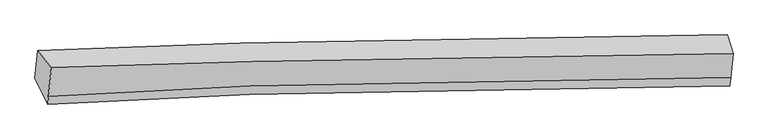
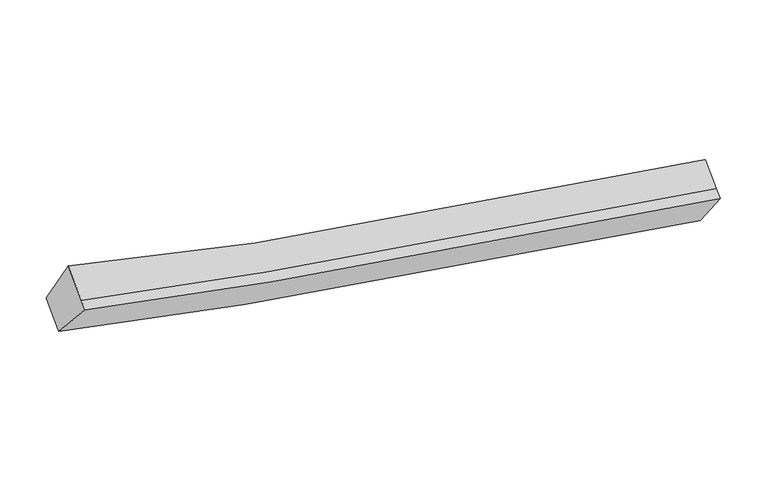
"""IFC4 building model written with IfcOpenShell, lengths in millimetres: proxy geometry."""

import ifcopenshell
import ifcopenshell.guid

model = None  # the IFC model being written
_history = None  # IfcOwnerHistory: only IFC2X3 demands one
_inside = {}  # id of a spatial element -> (the spatial element, [elements in it])
_under = {}  # id of a project, library or spatial element -> (it, [spatial elements below it])
_declared = {}  # id of a project -> (the project, [libraries it declares])
_typed = {}  # id of a type object -> (the type object, [elements of that type])
_made_of = {}  # id of a material, layer set ... -> (it, [elements and type objects made of it])


def new_model(schema):
    """Start an empty IFC model of exactly this schema.

    Asked for "IFC4X3", IfcOpenShell would pick the latest addendum, in which some entities
    have other attributes; the version numbers below select the first issue.
    IFC2X3 requires an IfcOwnerHistory on every rooted entity: one is made here for all.
    """
    global model, _history
    if schema == "IFC4X3":
        model = ifcopenshell.file(schema_version=(4, 3, 0, 0))
    else:
        model = ifcopenshell.file(schema=schema)
    _inside.clear()
    _under.clear()
    _declared.clear()
    _typed.clear()
    _made_of.clear()
    _history = None
    if model.schema == "IFC2X3":
        org = make("IfcOrganization", Name="unknown")
        user = make(
            "IfcPersonAndOrganization",
            ThePerson=make("IfcPerson", FamilyName="unknown"),
            TheOrganization=org,
        )
        app = make(
            "IfcApplication",
            ApplicationDeveloper=org,
            Version="unknown",
            ApplicationFullName="unknown",
            ApplicationIdentifier="unknown",
        )
        _history = make(
            "IfcOwnerHistory",
            OwningUser=user,
            OwningApplication=app,
            ChangeAction="ADDED",
            CreationDate=0,
        )
    return model


def make(cls, **values):
    """One entity of the class cls with the attributes given. An attribute that is None is left unset."""
    return model.create_entity(
        cls, **{name: value for name, value in values.items() if value is not None}
    )


def rooted(cls, **values):
    """An entity with a GlobalId (a new one), such as an element, a storey or a relation."""
    return make(cls, GlobalId=ifcopenshell.guid.new(), OwnerHistory=_history, **values)


def si_unit(unit_type, name, prefix=None):
    """IfcSIUnit, for example si_unit("LENGTHUNIT", "METRE", prefix="MILLI")."""
    return make("IfcSIUnit", UnitType=unit_type, Prefix=prefix, Name=name)


def assignment(units):
    """IfcUnitAssignment: the units of a project."""
    return None if units is None else make("IfcUnitAssignment", Units=units)


def point(xyz):
    """IfcCartesianPoint."""
    return None if xyz is None else make("IfcCartesianPoint", Coordinates=xyz)


def direction(xyz):
    """IfcDirection."""
    return None if xyz is None else make("IfcDirection", DirectionRatios=xyz)


def frame(location, z_axis=None, x_axis=None):
    """IfcAxis2Placement3D, a coordinate frame: its origin and axes. An axis left out is left unset."""
    return make(
        "IfcAxis2Placement3D",
        Location=point(location),
        Axis=direction(z_axis),
        RefDirection=direction(x_axis),
    )


def origin():
    """The frame at (0, 0, 0) with its axes left unset."""
    return frame((0.0, 0.0, 0.0))


def place(relative_to, where):
    """IfcLocalPlacement: puts the frame where relative to a parent placement (None: the world)."""
    return make(
        "IfcLocalPlacement", PlacementRelTo=relative_to, RelativePlacement=where
    )


def context(
    kind, dimensions, precision=None, world=None, true_north=None, identifier=None
):
    """IfcGeometricRepresentationContext, for example the 3D "Model" context."""
    return make(
        "IfcGeometricRepresentationContext",
        ContextIdentifier=identifier,
        ContextType=kind,
        CoordinateSpaceDimension=dimensions,
        Precision=precision,
        WorldCoordinateSystem=world,
        TrueNorth=true_north,
    )


def project(units=None, contexts=None):
    """IfcProject with its units and contexts."""
    return rooted(
        "IfcProject",
        Name="project",
        RepresentationContexts=contexts,
        UnitsInContext=assignment(units),
    )


def spatial(cls, under=None, at=None, **own):
    """A site, building, storey or space (cls), placed at a placement, below another one or the project."""
    s = rooted(cls, ObjectPlacement=at, **own)
    if under is not None:
        _under.setdefault(under.id(), (under, []))[1].append(s)
    return s


def shape(context_of_items, identifier, shape_type, items):
    """IfcShapeRepresentation: the items that make up one representation, for example the "Body"."""
    return make(
        "IfcShapeRepresentation",
        ContextOfItems=context_of_items,
        RepresentationIdentifier=identifier,
        RepresentationType=shape_type,
        Items=items,
    )


def source(mapping_origin, context_of_items, identifier, shape_type, items):
    """IfcRepresentationMap: a shape defined once, which mapped items show again and again."""
    return make(
        "IfcRepresentationMap",
        MappingOrigin=mapping_origin,
        MappedRepresentation=shape(context_of_items, identifier, shape_type, items),
    )


def transform(
    local_origin,
    x_axis=None,
    y_axis=None,
    z_axis=None,
    scale=None,
    scale2=None,
    scale3=None,
    uniform=True,
):
    """IfcCartesianTransformationOperator3D, or its non-uniform kind. x_axis, y_axis, z_axis: its Axis1, 2, 3."""
    if uniform:
        return make(
            "IfcCartesianTransformationOperator3D",
            Axis1=direction(x_axis),
            Axis2=direction(y_axis),
            LocalOrigin=point(local_origin),
            Scale=scale,
            Axis3=direction(z_axis),
        )
    return make(
        "IfcCartesianTransformationOperator3DnonUniform",
        Axis1=direction(x_axis),
        Axis2=direction(y_axis),
        LocalOrigin=point(local_origin),
        Scale=scale,
        Axis3=direction(z_axis),
        Scale2=scale2,
        Scale3=scale3,
    )


def mapped(mapping_source, mapping_target):
    """IfcMappedItem: shows the shape of a source again, moved by a transform."""
    return make(
        "IfcMappedItem", MappingSource=mapping_source, MappingTarget=mapping_target
    )


def made_of(thing, what):
    """Note that an element or type object is made of a material, layer set ...; save() writes the relation."""
    if what is not None:
        _made_of.setdefault(what.id(), (what, []))[1].append(thing)
    return thing


def element(
    cls,
    number,
    at=None,
    inside=None,
    cuts=None,
    type_object=None,
    material=None,
    context=None,
    identifier="Body",
    shape_type=None,
    held_by="IfcProductDefinitionShape",
    body=None,
    shapes=None,
    **own,
):
    """One element of the class cls, such as IfcWall. Its Tag is "e" and its number.

    at: its placement. inside: the storey or other place that contains it. cuts: it is an
    opening in that element (IfcRelVoidsElement). A single representation is given by context,
    identifier, shape_type and body (its items); several are given by shapes. held_by: the class
    of the entity that holds the representations. save() writes the other relations.
    """
    e = rooted(cls, Tag="e%d" % number, ObjectPlacement=at, **own)
    if body is not None:
        shapes = [shape(context, identifier, shape_type, body)]
    if shapes is not None:
        e.Representation = make(held_by, Representations=shapes)
    if inside is not None:
        _inside.setdefault(inside.id(), (inside, []))[1].append(e)
    if cuts is not None:
        rooted(
            "IfcRelVoidsElement", RelatingBuildingElement=cuts, RelatedOpeningElement=e
        )
    if type_object is not None:
        _typed.setdefault(type_object.id(), (type_object, []))[1].append(e)
    return made_of(e, material)


def aggregate(whole, parts):
    """IfcRelAggregates: a whole, such as a stair, and the parts it consists of."""
    return rooted("IfcRelAggregates", RelatingObject=whole, RelatedObjects=parts)


def save(model, path):
    """Write the relations noted so far, then the file.

    IfcRelAggregates (storeys below a building ...), IfcRelContainedInSpatialStructure (elements
    in a storey), IfcRelDefinesByType, IfcRelAssociatesMaterial and IfcRelDeclares: one each for
    every whole, place, type object, material and project.
    """
    for whole, parts in _under.values():
        aggregate(whole, parts)
    for where, things in _inside.values():
        rooted(
            "IfcRelContainedInSpatialStructure",
            RelatedElements=things,
            RelatingStructure=where,
        )
    for kind, things in _typed.values():
        rooted("IfcRelDefinesByType", RelatedObjects=things, RelatingType=kind)
    for what, things in _made_of.values():
        rooted("IfcRelAssociatesMaterial", RelatedObjects=things, RelatingMaterial=what)
    for by, libraries in _declared.values():
        rooted("IfcRelDeclares", RelatingContext=by, RelatedDefinitions=libraries)
    model.write(path)


def plane_surface(at):
    """IfcPlane: the flat surface through the origin of the frame at, square to its z axis."""
    return make("IfcPlane", Position=at)


def spline_curve(degree, points, multiplicities, knots, weights=None):
    """IfcBSplineCurveWithKnots; with weights, IfcRationalBSplineCurveWithKnots."""
    own = dict(
        Degree=degree,
        ControlPointsList=[point(p) for p in points],
        CurveForm="UNSPECIFIED",
        ClosedCurve=False,
        SelfIntersect=False,
        KnotMultiplicities=multiplicities,
        Knots=knots,
        KnotSpec="UNSPECIFIED",
    )
    if weights is None:
        return make("IfcBSplineCurveWithKnots", **own)
    return make("IfcRationalBSplineCurveWithKnots", WeightsData=weights, **own)


def spline_surface(u_degree, v_degree, points, u_multiplicities, v_multiplicities, u_knots, v_knots, weights=None):
    """IfcBSplineSurfaceWithKnots; with weights, IfcRationalBSplineSurfaceWithKnots. points: one row for each step in u."""
    own = dict(
        UDegree=u_degree,
        VDegree=v_degree,
        ControlPointsList=[[point(p) for p in row] for row in points],
        SurfaceForm="UNSPECIFIED",
        UClosed=False,
        VClosed=False,
        SelfIntersect=False,
        UMultiplicities=u_multiplicities,
        VMultiplicities=v_multiplicities,
        UKnots=u_knots,
        VKnots=v_knots,
        KnotSpec="UNSPECIFIED",
    )
    if weights is None:
        return make("IfcBSplineSurfaceWithKnots", **own)
    return make("IfcRationalBSplineSurfaceWithKnots", WeightsData=weights, **own)


def advanced_brep(points, edges, surfaces, faces):
    """IfcAdvancedBrep: a solid bounded by faces that lie on surfaces and meet in shared edges.

    An edge is (start, end): straight between two places in points (the first is 0);
    or (start, end, curve); or (start, end, curve, False) where it runs against its curve.
    A face is (place in surfaces, loops), or (place, loops, False) where it looks against
    its surface's normal. A loop lists edges by number (the first is 1), with a minus sign
    where the edge is run from its end to its start. The first loop is the outer one.
    """
    corners = [point(p) for p in points]
    vertices = [make("IfcVertexPoint", VertexGeometry=c) for c in corners]
    made = []
    for start, end, *more in edges:
        made.append(
            make(
                "IfcEdgeCurve",
                EdgeStart=vertices[start],
                EdgeEnd=vertices[end],
                EdgeGeometry=more[0] if more else make("IfcPolyline", Points=[corners[start], corners[end]]),
                SameSense=more[1] if len(more) > 1 else True,
            )
        )
    hull = []
    for where, loops, *sense in faces:
        bounds = []
        for j, loop in enumerate(loops):
            ring = [make("IfcOrientedEdge", EdgeElement=made[abs(k) - 1], Orientation=k > 0) for k in loop]
            bounds.append(
                make(
                    "IfcFaceOuterBound" if j == 0 else "IfcFaceBound",
                    Bound=make("IfcEdgeLoop", EdgeList=ring),
                    Orientation=True,
                )
            )
        hull.append(make("IfcAdvancedFace", Bounds=bounds, FaceSurface=surfaces[where], SameSense=sense[0] if sense else True))
    return make("IfcAdvancedBrep", Outer=make("IfcClosedShell", CfsFaces=hull))


def generic_models_4282e21b(model_context):
    return source(origin(), model_context, "Body", "AdvancedBrep", [
        advanced_brep(
        [(-4186.8823654, -1800.6948341, 3868.683785), (-3979.0534525, -2064.0804173, 4503.6723809), (6477.3576474, -1847.7647507, 2536.2122372), (6385.523387, -1560.8972102, 1840.0727877), (-4022.6466639, -2505.7559151, 4198.5674226), (6440.710558, -2219.0638812, 2279.7225602), (-4034.787853, -2628.7674017, 4113.592334), (6427.7599562, -2350.2761337, 2189.0824658), (-4229.6218892, -2233.7209835, 3569.5537088), (6349.4369555, -1926.515894, 1587.5071057)],
        [
            (0, 1),
            (1, 2, spline_curve(3, [(-3979.0534525, -2064.0804173, 4503.6723809), (-2955.626938813, -2030.870232956, 4235.40801541), (-1927.825272113, -2001.155001828, 3988.866461737), (1537.704079638, -1913.120528839, 3234.038476968), (3995.372779365, -1870.730537284, 2824.759982788), (6477.3576474, -1847.7647507, 2536.2122372)], [4, 2, 4], [0.0, 10.469676125628874, 35.15189374109251])),
            (2, 3),
            (3, 0, spline_curve(3, [(6385.523387, -1560.8972102, 1840.0727877), (3868.165949129, -1573.849050041, 2113.337758293), (1380.899006149, -1617.115558436, 2528.114093403), (-2118.559863874, -1721.908318298, 3320.367303467), (-3155.428172054, -1758.574351273, 3581.794633808), (-4186.8823654, -1800.6948341, 3868.683785)], [4, 2, 4], [0.0, 24.682217615463635, 35.15189374109251])),
            (1, 4),
            (4, 5, spline_curve(3, [(-4022.6466639, -2505.7559151, 4198.5674226), (-2996.215162981, -2442.099951953, 3951.334692872), (-1966.098122087, -2388.925931567, 3720.998232882), (1504.889713982, -2245.587461288, 3004.373688308), (3962.558413655, -2203.197470404, 2595.095193957), (6440.710558, -2219.0638812, 2279.7225602)], [4, 2, 4], [0.0, 10.405482120039974, 34.93636263619497])),
            (5, 2),
            (4, 6),
            (6, 7, spline_curve(3, [(-4034.787853, -2628.7674017, 4113.592334), (-3008.706515118, -2568.659201884, 3863.908845082), (-1978.859278242, -2518.218770376, 3631.68405018), (1491.492494867, -2381.324723525, 2910.607762633), (3949.161194542, -2338.934733016, 2501.329269107), (6427.7599562, -2350.2761337, 2189.0824658)], [4, 2, 4], [0.0, 10.404934731014329, 34.93452477983403])),
            (7, 5),
            (6, 8),
            (8, 9, spline_curve(3, [(-4229.6218892, -2233.7209835, 3569.5537088), (-3195.30421271, -2162.588405568, 3302.705818604), (-2156.228553883, -2103.55804752, 3056.727537766), (1348.438525786, -1945.997017648, 2300.926114139), (3835.715814596, -1902.625679609, 1886.222193953), (6349.4369555, -1926.515894, 1587.5071057)], [4, 2, 4], [0.0, 10.468148201468214, 35.14676374212258])),
            (9, 7),
            (8, 0),
            (3, 9),
        ],
        [
            spline_surface(3, 3, [[(-4186.8823654, -1800.6948341, 3868.683785), (-3155.428172211, -1758.574351183, 3581.794633725), (-2118.559864008, -1721.908318188, 3320.367303309), (1380.899006465, -1617.115558696, 2528.114093776), (3868.165949096, -1573.849050383, 2113.337758432), (6385.523387, -1560.8972102, 1840.0727877)], [(-4117.606061098, -1888.490028509, 4080.346650318), (-3088.827761127, -1849.339645107, 3799.665761026), (-2054.981666666, -1814.990546077, 3543.200356138), (1433.167364109, -1715.783882076, 2763.422221359), (3910.568225769, -1672.809546166, 2350.478499775), (6416.134807159, -1656.519723714, 2072.119270881)], [(-4048.329756802, -1976.285222891, 4292.009515582), (-3022.227350048, -1940.104939004, 4017.536888272), (-1991.403469344, -1908.072773948, 3766.033409057), (1485.435721733, -1814.452205438, 2998.730349034), (3952.970502363, -1771.770041908, 2587.619241075), (6446.746227241, -1752.142237186, 2304.165754019)], [(-3979.0534525, -2064.0804173, 4503.6723809), (-2955.626938964, -2030.870232928, 4235.408015572), (-1927.825272002, -2001.155001837, 3988.866461886), (1537.704079377, -1913.120528818, 3234.038476617), (3995.372779036, -1870.73053769, 2824.759982418), (6477.3576474, -1847.7647507, 2536.2122372)]], [4, 4], [4, 2, 4], [0.0, 2.5334754392293863], [0.0, 10.469676125628874, 35.15189374109251]),
            spline_surface(3, 3, [[(-3979.0534525, -2064.0804173, 4503.6723809), (-2955.626938964, -2030.870232928, 4235.408015572), (-1927.825272002, -2001.155001837, 3988.866461886), (1537.704079377, -1913.120528818, 3234.038476617), (3995.372779036, -1870.73053769, 2824.759982418), (6477.3576474, -1847.7647507, 2536.2122372)], [(-3993.584522965, -2211.305583216, 4401.970728111), (-2969.156346984, -2167.946805867, 4140.716907976), (-1940.582888698, -2130.411978411, 3899.577052224), (1526.765957496, -2023.942839711, 3157.48354721), (3984.434657155, -1981.552848583, 2748.20505301), (6465.141950908, -1971.531127518, 2450.715678213)], [(-4008.115593435, -2358.530749184, 4300.269075389), (-2982.685755008, -2305.023378859, 4046.025800447), (-1953.340505319, -2259.668954929, 3810.287642524), (1515.827835691, -2134.765150548, 3080.928617765), (3973.496535349, -2092.37515952, 2671.650123565), (6452.926254492, -2095.297504382, 2365.219119187)], [(-4022.6466639, -2505.7559151, 4198.5674226), (-2996.215163029, -2442.099951798, 3951.334692851), (-1966.098122014, -2388.925931502, 3720.998232861), (1504.88971381, -2245.58746144, 3004.373688357), (3962.558413469, -2203.197470412, 2595.095194158), (6440.710558, -2219.0638812, 2279.7225602)]], [4, 4], [4, 2, 4], [0.0, 1.389886943964794], [0.0, 10.405482120039974, 34.93636263619497]),
            spline_surface(3, 3, [[(-4022.6466639, -2505.7559151, 4198.5674226), (-2996.215163029, -2442.099951798, 3951.334692851), (-1966.098122014, -2388.925931502, 3720.998232861), (1504.88971381, -2245.58746144, 3004.373688357), (3962.558413469, -2203.197470412, 2595.095194158), (6440.710558, -2219.0638812, 2279.7225602)], [(-4026.693726936, -2546.759743995, 4170.24239309), (-3000.378947053, -2484.286368501, 3922.192743666), (-1970.351840772, -2432.023544403, 3691.226838576), (1500.423974293, -2290.833215561, 2973.118379884), (3958.092673951, -2248.443224533, 2563.839885685), (6436.393690761, -2262.801298687, 2249.509195389)], [(-4030.740789964, -2587.763572805, 4141.91736351), (-3004.542731068, -2526.472785121, 3893.050794411), (-1974.605559614, -2475.121157342, 3661.455444323), (1495.958234692, -2336.078969719, 2941.863071444), (3953.626934351, -2293.688978691, 2532.584577245), (6432.076823439, -2306.538716213, 2219.295830611)], [(-4034.787853, -2628.7674017, 4113.592334), (-3008.706515092, -2568.659201824, 3863.908845226), (-1978.859278372, -2518.218770243, 3631.684050037), (1491.492495174, -2381.32472384, 2910.607762971), (3949.161194833, -2338.934732811, 2501.329268771), (6427.7599562, -2350.2761337, 2189.0824658)]], [4, 4], [4, 2, 4], [0.0, 0.5360686992424982], [0.0, 10.404934731014329, 34.93452477983403]),
            spline_surface(3, 3, [[(-4034.787853, -2628.7674017, 4113.592334), (-3008.706515092, -2568.659201824, 3863.908845226), (-1978.859278372, -2518.218770243, 3631.684050037), (1491.492495174, -2381.32472384, 2910.607762971), (3949.161194833, -2338.934732811, 2501.329268771), (6427.7599562, -2350.2761337, 2189.0824658)], [(-4099.73253175, -2497.085262275, 3932.246125595), (-3070.905747667, -2433.302269745, 3676.841169718), (-2037.982370197, -2379.998529267, 3440.031879268), (1443.807838688, -2236.215488552, 2707.38054675), (3911.346068209, -2193.498381824, 2296.293577266), (6401.652289287, -2209.022720487, 1988.557345756)], [(-4164.67721045, -2365.403122925, 3750.899917205), (-3133.104980192, -2297.945337742, 3489.773494226), (-2097.105462026, -2241.778288337, 3248.379708474), (1396.123182198, -2091.10625331, 2504.153330505), (3873.530941624, -2048.062030777, 2091.257885794), (6375.544622413, -2067.769307213, 1788.032225744)], [(-4229.6218892, -2233.7209835, 3569.5537088), (-3195.304212768, -2162.588405662, 3302.705818719), (-2156.228553851, -2103.558047361, 3056.727537705), (1348.438525712, -1945.997018023, 2300.926114284), (3835.715814999, -1902.62567979, 1886.222194288), (6349.4369555, -1926.515894, 1587.5071057)]], [4, 4], [4, 2, 4], [0.0, 2.472367781206062], [0.0, 10.468148201468214, 35.14676374212258]),
            spline_surface(3, 3, [[(-4229.6218892, -2233.7209835, 3569.5537088), (-3195.304212768, -2162.588405662, 3302.705818719), (-2156.228553851, -2103.558047361, 3056.727537705), (1348.438525712, -1945.997018023, 2300.926114284), (3835.715814999, -1902.62567979, 1886.222194288), (6349.4369555, -1926.515894, 1587.5071057)], [(-4215.37538125, -2089.378933706, 3669.263734186), (-3182.012199232, -2027.917054176, 3395.735423707), (-2143.672323914, -1976.341470973, 3144.607459594), (1359.258685953, -1836.369864917, 2376.655440802), (3846.532526349, -1793.033469981, 1961.927382331), (6361.465765984, -1804.642999394, 1671.695666362)], [(-4201.12887335, -1945.036883894, 3768.973759614), (-3168.720185746, -1893.24570267, 3488.765028737), (-2131.116093945, -1849.124894575, 3232.48738142), (1370.078846224, -1726.742711801, 2452.384767257), (3857.349237746, -1683.441260192, 2037.632570389), (6373.494576516, -1682.770104806, 1755.884227038)], [(-4186.8823654, -1800.6948341, 3868.683785), (-3155.428172211, -1758.574351183, 3581.794633725), (-2118.559864008, -1721.908318188, 3320.367303309), (1380.899006465, -1617.115558696, 2528.114093776), (3868.165949096, -1573.849050383, 2113.337758432), (6385.523387, -1560.8972102, 1840.0727877)]], [4, 4], [4, 2, 4], [0.0, 1.3726964205869194], [0.0, 10.53143003901323, 35.359232246633255]),
            plane_surface(frame((6410.0194865, -1921.3634971, 2038.2186491), z_axis=(0.9910787683026616, -0.005840867468056232, -0.1331493871067387), x_axis=(-0.10584187867823247, 0.5726488955905618, -0.8129395666940885))),
            plane_surface(frame((-4107.58639, -2181.8159091, 4013.8755522), z_axis=(-0.9570676615995009, -0.0947691775991554, 0.27393483549494585), x_axis=(-0.08094126072790632, -0.8200765778903295, -0.5665005902092808))),
        ],
        [
            (0, [[1, 2, 3, 4]]),
            (1, [[5, 6, 7, -2]]),
            (2, [[8, 9, 10, -6]]),
            (3, [[11, 12, 13, -9]]),
            (4, [[14, -4, 15, -12]]),
            (5, [[-13, -15, -3, -7, -10]]),
            (6, [[-14, -11, -8, -5, -1]]),
        ],
    ),
    ])


if __name__ == "__main__":
    model = new_model("IFC4")
    model_context = context("Model", 3, world=origin())
    ifc_project = project(units=[si_unit("LENGTHUNIT", "METRE", prefix="MILLI")], contexts=[model_context])
    site = spatial("IfcSite", under=ifc_project)
    building = spatial("IfcBuilding", under=site)
    placement = place(None, origin())
    generic_models_shape = generic_models_4282e21b(model_context)
    element("IfcBuildingElementProxy", 1, Name="Generic Models", at=placement, inside=building, context=model_context, shape_type="MappedRepresentation", body=[
        mapped(generic_models_shape, transform((0.0, 0.0, 0.0), x_axis=(1.0, 0.0, 0.0), y_axis=(0.0, 1.0, 0.0), z_axis=(0.0, 0.0, 1.0))),
    ])
    save(model, "model.ifc")
